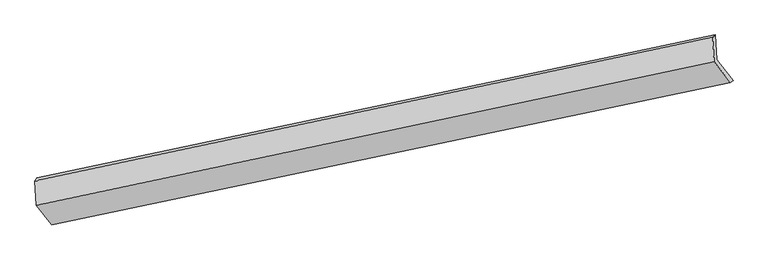
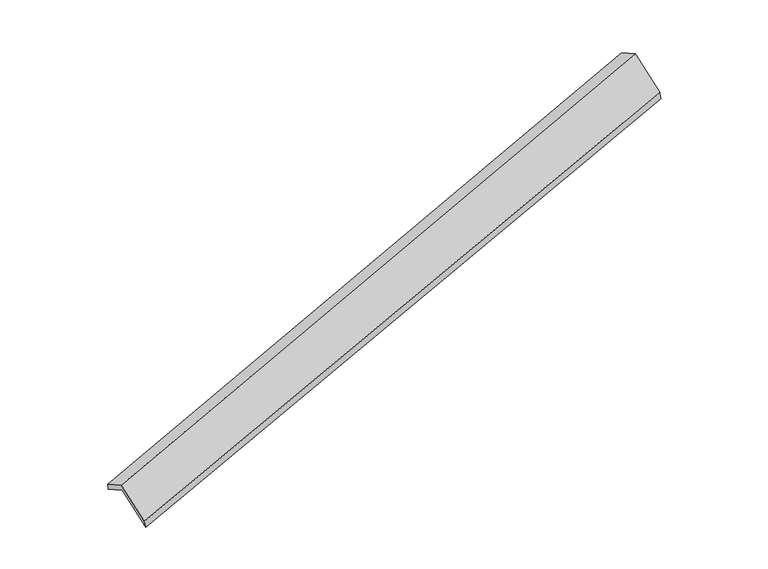
"""IFC4 building model written with IfcOpenShell, lengths in millimetres: proxy geometry."""

from ifc_helpers import new_model, si_unit, frame, origin, place, context, project, spatial, source, transform, mapped, element, save
from ifc_brep_helpers import plane_surface, spline_surface, advanced_brep


def generic_models_21ae8637(model_context):
    return source(origin(), model_context, "Body", "AdvancedBrep", [
        advanced_brep(
        [(-8395.9565387, -2675.2833944, 507.6394383), (-8417.1289415, -2264.0642584, 286.9267157), (2532.8707532, 49.3176616, 3546.6803992), (2553.5899668, -353.0994472, 3762.6688295), (-8450.0154613, -2315.2923744, 433.6779927), (2491.0434287, 9.422697, 3715.4046144), (-8429.8024951, -2707.876939, 644.3890237), (2511.2563949, -383.1618676, 3926.1156454), (-8180.9345527, -3023.3360214, 32.7707082), (2776.1686871, -718.9583861, 3275.0667061), (-8141.6866165, -2997.5898981, -117.2547932), (2818.3642132, -688.7209822, 3111.9591517)],
        [
            (0, 1),
            (1, 2),
            (2, 3),
            (3, 0),
            (1, 4),
            (4, 5),
            (5, 2),
            (4, 6),
            (6, 7),
            (7, 5),
            (6, 8),
            (8, 9),
            (9, 7),
            (8, 10),
            (10, 11),
            (11, 9),
            (10, 0),
            (3, 11),
        ],
        [
            plane_surface(frame((-8406.5427401, -2469.6738264, 397.283077), z_axis=(0.33990155105889036, -0.4311119239465547, -0.8358285976316322), x_axis=(-0.04531891831550356, 0.8802027165928422, -0.4724292257526977))),
            spline_surface(1, 1, [[(-8417.1289415, -2264.0642584, 286.9267157), (2532.8707532, 49.3176616, 3546.6803992)], [(-8450.0154613, -2315.2923744, 433.6779927), (2491.0434287, 9.422697, 3715.4046144)]], [2, 2], [2, 2], [0.0, 1.0], [0.0, 1.0]),
            plane_surface(frame((-8439.9089782, -2511.5846567, 539.0335082), z_axis=(-0.34201931658361256, 0.4306632292505482, 0.8351957675031455), x_axis=(0.04531891831542611, -0.8802027165928011, 0.4724292257527818))),
            plane_surface(frame((-8305.3685239, -2865.6064802, 338.579866), z_axis=(0.0453189183154982, -0.8802027165927999, 0.47242922575277724), x_axis=(0.34007790244522146, -0.4310746577209572, -0.8357760822966988))),
            spline_surface(1, 1, [[(-8180.9345527, -3023.3360214, 32.7707082), (2776.1686871, -718.9583861, 3275.0667061)], [(-8141.6866165, -2997.5898981, -117.2547932), (2818.3642132, -688.7209822, 3111.9591517)]], [2, 2], [2, 2], [0.0, 1.0], [0.0, 1.0]),
            plane_surface(frame((-8268.8215776, -2836.4366463, 195.1923226), z_axis=(-0.04612470336277444, 0.8800320717787108, -0.47266908549276426), x_axis=(-0.3400779024452328, 0.4310746577208773, 0.8357760822967354))),
            plane_surface(frame((2613.8822406, -347.5333874, 3556.315891), z_axis=(0.9393046448896007, 0.19853920815129866, 0.27980165638444), x_axis=(0.2465137866591742, 0.17665230491317796, -0.9529034138651287))),
            plane_surface(frame((-8335.9207676, -2663.9071476, 298.0248476), z_axis=(-0.939304644889605, -0.19853920815132892, -0.2798016563844049), x_axis=(0.34007790244521624, -0.43107465772088277, -0.8357760822967392))),
        ],
        [
            (0, [[1, 2, 3, 4]]),
            (1, [[5, 6, 7, -2]]),
            (2, [[8, 9, 10, -6]]),
            (3, [[11, 12, 13, -9]]),
            (4, [[14, 15, 16, -12]]),
            (5, [[17, -4, 18, -15]]),
            (6, [[-16, -18, -3, -7, -10, -13]]),
            (7, [[-17, -14, -11, -8, -5, -1]]),
        ],
    ),
    ])


if __name__ == "__main__":
    model = new_model("IFC4")
    model_context = context("Model", 3, world=origin())
    ifc_project = project(units=[si_unit("LENGTHUNIT", "METRE", prefix="MILLI")], contexts=[model_context])
    site = spatial("IfcSite", under=ifc_project)
    building = spatial("IfcBuilding", under=site)
    placement = place(None, origin())
    generic_models_shape = generic_models_21ae8637(model_context)
    element("IfcBuildingElementProxy", 1, Name="Generic Models", at=placement, inside=building, context=model_context, shape_type="MappedRepresentation", body=[
        mapped(generic_models_shape, transform((0.0, 0.0, 0.0), x_axis=(1.0, 0.0, 0.0), y_axis=(0.0, 1.0, 0.0), z_axis=(0.0, 0.0, 1.0))),
    ])
    save(model, "model.ifc")
